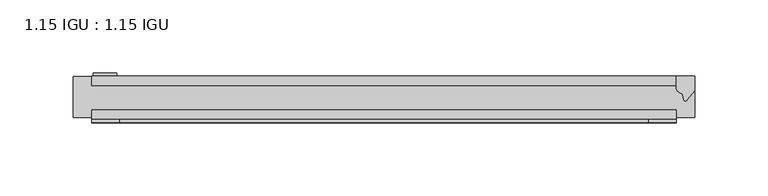
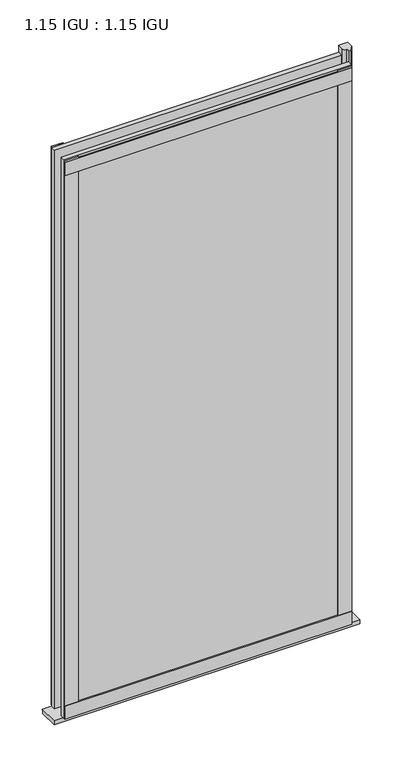
"""IFC4 building model written with IfcOpenShell, lengths in millimetres: plate geometry, 1.15 IGU : 1.15 IGU."""

from ifc_helpers import new_model, si_unit, point, frame, frame_2d, origin, place, context, project, spatial, polyline, circle_curve, trimmed, segment, composite_curve, outline, extrude, source, transform, mapped, element, save


def plate_1_15_igu_1_15_igu_3fa0660b(model_context):
    return source(origin(), model_context, "Body", "SweptSolid", [
        extrude(outline(polyline([(200.009125, 0.0), (200.009125, -6.2992), (-200.009125, -6.2992), (-200.009125, 0.0), (200.009125, 0.0)])), frame((0.0, 0.0, -19.05), z_axis=(0.0, 0.0, 1.0), x_axis=(1.0, 0.0, 0.0)), (0.0, 0.0, 1.0), 822.3250001),
        extrude(outline(polyline([(-200.009125, -23.1648), (200.009125, -23.1648), (200.009125, -29.464), (-200.009125, -29.464), (-200.009125, -23.1648)])), frame((0.0, 0.0, -19.05), z_axis=(0.0, 0.0, 1.0), x_axis=(1.0, 0.0, 0.0)), (0.0, 0.0, 1.0), 822.3250001),
        extrude(outline(composite_curve([segment(trimmed(circle_curve(frame_2d((10.9021792, -22.6833935)), 11.4916952), [point((0.0, -19.05))], [point((-0.2638007, -25.4))], True, "CARTESIAN"), True, "CONTINUOUS"), segment(polyline([(-0.2638007, -25.4), (-27.9952564, -25.4), (-27.9952564, -19.05), (0.0, -19.05)]), True, "CONTINUOUS")], self_intersect=False)), frame((-212.709125, 0.0, 0.0), z_axis=(1.0, 0.0, 0.0), x_axis=(0.0, 1.0, 0.0)), (0.0, 0.0, 1.0), 425.41825),
        extrude(outline(composite_curve([segment(polyline([(212.709125, 0.0), (212.709125, -9.7395025), (207.1428941, -16.3730781)]), True, "CONTINUOUS"), segment(trimmed(circle_curve(frame_2d((206.1892191, -15.7728374)), 1.1268473), [point((207.1428941, -16.3730781))], [point((205.0882662, -16.0130197))], False, "CARTESIAN"), True, "CONTINUOUS"), segment(polyline([(205.0882662, -16.0130197), (204.1080748, -11.7377885)]), True, "CONTINUOUS"), segment(trimmed(circle_curve(frame_2d((203.9806229, -7.7683362)), 3.9714979), [point((204.1080748, -11.7377885))], [point((200.0093036, -7.8060014))], False, "CARTESIAN"), True, "CONTINUOUS"), segment(polyline([(200.0093036, -7.8060014), (200.0093036, 0.0), (212.709125, 0.0)]), True, "CONTINUOUS")], self_intersect=False)), frame((0.0, 0.0, -19.05), z_axis=(0.0, 0.0, 1.0), x_axis=(1.0, 0.0, 0.0)), (0.0, 0.0, 1.0), 832.6374001),
        extrude(outline(polyline([(-200.009125, -31.75), (-200.009125, -29.464), (200.009125, -29.464), (200.009125, -31.75), (-200.009125, -31.75)])), frame((0.0, 0.0, -19.05), z_axis=(0.0, 0.0, 1.0), x_axis=(1.0, 0.0, 0.0)), (0.0, 0.0, 1.0), 19.05),
        extrude(outline(polyline([(-200.009125, -31.75), (-200.009125, -29.464), (200.009125, -29.464), (200.009125, -31.75), (-200.009125, -31.75)])), frame((0.0, 0.0, 781.0500001), z_axis=(0.0, 0.0, 1.0), x_axis=(1.0, 0.0, 0.0)), (0.0, 0.0, 1.0), 19.05),
        extrude(outline(polyline([(180.959125, -29.464), (200.009125, -29.464), (200.009125, -31.75), (180.959125, -31.75), (180.959125, -29.464)])), frame((0.0, 0.0, -19.05), z_axis=(0.0, 0.0, 1.0), x_axis=(1.0, 0.0, 0.0)), (0.0, 0.0, 1.0), 822.3250001),
        extrude(outline(polyline([(-200.009125, -31.75), (-200.009125, -29.464), (-180.959125, -29.464), (-180.959125, -31.75), (-200.009125, -31.75)])), frame((0.0, 0.0, -19.05), z_axis=(0.0, 0.0, 1.0), x_axis=(1.0, 0.0, 0.0)), (0.0, 0.0, 1.0), 822.3250001),
        extrude(outline(polyline([(-198.802625, 0.0), (-198.802625, 2.286), (-182.927625, 2.286), (-182.927625, 0.0), (-198.802625, 0.0)])), frame((0.0, 0.0, -19.05), z_axis=(0.0, 0.0, 1.0), x_axis=(1.0, 0.0, 0.0)), (0.0, 0.0, 1.0), 822.3250001),
    ])


if __name__ == "__main__":
    model = new_model("IFC4")
    model_context = context("Model", 3, world=origin())
    ifc_project = project(units=[si_unit("LENGTHUNIT", "METRE", prefix="MILLI")], contexts=[model_context])
    site = spatial("IfcSite", under=ifc_project)
    building = spatial("IfcBuilding", under=site)
    placement = place(None, origin())
    plate_1_15_igu_1_15_igu_shape = plate_1_15_igu_1_15_igu_3fa0660b(model_context)
    element("IfcPlate", 1, ObjectType="1.15 IGU : 1.15 IGU", at=placement, inside=building, context=model_context, shape_type="MappedRepresentation", body=[
        mapped(plate_1_15_igu_1_15_igu_shape, transform((0.0, 0.0, 0.0), x_axis=(1.0, 0.0, 0.0), y_axis=(0.0, 1.0, 0.0), z_axis=(0.0, 0.0, 1.0))),
    ])
    save(model, "model.ifc")
